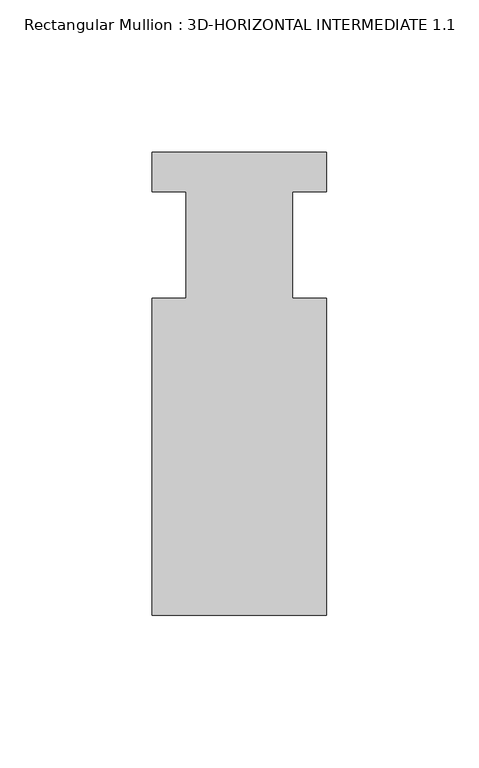
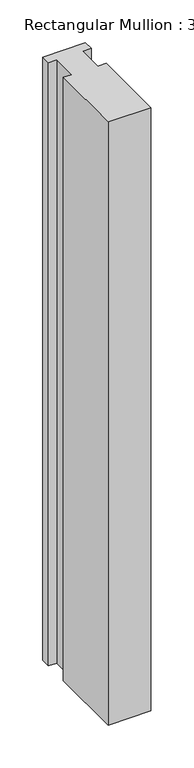
"""IFC4 building model written with IfcOpenShell, lengths in millimetres: member geometry, Rectangular Mullion : 3D-HORIZONTAL INTERMEDIATE 1.1."""

import ifcopenshell
import ifcopenshell.guid

model = None  # the IFC model being written
_history = None  # IfcOwnerHistory: only IFC2X3 demands one
_inside = {}  # id of a spatial element -> (the spatial element, [elements in it])
_under = {}  # id of a project, library or spatial element -> (it, [spatial elements below it])
_declared = {}  # id of a project -> (the project, [libraries it declares])
_typed = {}  # id of a type object -> (the type object, [elements of that type])
_made_of = {}  # id of a material, layer set ... -> (it, [elements and type objects made of it])


def new_model(schema):
    """Start an empty IFC model of exactly this schema.

    Asked for "IFC4X3", IfcOpenShell would pick the latest addendum, in which some entities
    have other attributes; the version numbers below select the first issue.
    IFC2X3 requires an IfcOwnerHistory on every rooted entity: one is made here for all.
    """
    global model, _history
    if schema == "IFC4X3":
        model = ifcopenshell.file(schema_version=(4, 3, 0, 0))
    else:
        model = ifcopenshell.file(schema=schema)
    _inside.clear()
    _under.clear()
    _declared.clear()
    _typed.clear()
    _made_of.clear()
    _history = None
    if model.schema == "IFC2X3":
        org = make("IfcOrganization", Name="unknown")
        user = make(
            "IfcPersonAndOrganization",
            ThePerson=make("IfcPerson", FamilyName="unknown"),
            TheOrganization=org,
        )
        app = make(
            "IfcApplication",
            ApplicationDeveloper=org,
            Version="unknown",
            ApplicationFullName="unknown",
            ApplicationIdentifier="unknown",
        )
        _history = make(
            "IfcOwnerHistory",
            OwningUser=user,
            OwningApplication=app,
            ChangeAction="ADDED",
            CreationDate=0,
        )
    return model


def make(cls, **values):
    """One entity of the class cls with the attributes given. An attribute that is None is left unset."""
    return model.create_entity(
        cls, **{name: value for name, value in values.items() if value is not None}
    )


def rooted(cls, **values):
    """An entity with a GlobalId (a new one), such as an element, a storey or a relation."""
    return make(cls, GlobalId=ifcopenshell.guid.new(), OwnerHistory=_history, **values)


def si_unit(unit_type, name, prefix=None):
    """IfcSIUnit, for example si_unit("LENGTHUNIT", "METRE", prefix="MILLI")."""
    return make("IfcSIUnit", UnitType=unit_type, Prefix=prefix, Name=name)


def assignment(units):
    """IfcUnitAssignment: the units of a project."""
    return None if units is None else make("IfcUnitAssignment", Units=units)


def point(xyz):
    """IfcCartesianPoint."""
    return None if xyz is None else make("IfcCartesianPoint", Coordinates=xyz)


def direction(xyz):
    """IfcDirection."""
    return None if xyz is None else make("IfcDirection", DirectionRatios=xyz)


def frame(location, z_axis=None, x_axis=None):
    """IfcAxis2Placement3D, a coordinate frame: its origin and axes. An axis left out is left unset."""
    return make(
        "IfcAxis2Placement3D",
        Location=point(location),
        Axis=direction(z_axis),
        RefDirection=direction(x_axis),
    )


def origin():
    """The frame at (0, 0, 0) with its axes left unset."""
    return frame((0.0, 0.0, 0.0))


def place(relative_to, where):
    """IfcLocalPlacement: puts the frame where relative to a parent placement (None: the world)."""
    return make(
        "IfcLocalPlacement", PlacementRelTo=relative_to, RelativePlacement=where
    )


def context(
    kind, dimensions, precision=None, world=None, true_north=None, identifier=None
):
    """IfcGeometricRepresentationContext, for example the 3D "Model" context."""
    return make(
        "IfcGeometricRepresentationContext",
        ContextIdentifier=identifier,
        ContextType=kind,
        CoordinateSpaceDimension=dimensions,
        Precision=precision,
        WorldCoordinateSystem=world,
        TrueNorth=true_north,
    )


def project(units=None, contexts=None):
    """IfcProject with its units and contexts."""
    return rooted(
        "IfcProject",
        Name="project",
        RepresentationContexts=contexts,
        UnitsInContext=assignment(units),
    )


def spatial(cls, under=None, at=None, **own):
    """A site, building, storey or space (cls), placed at a placement, below another one or the project."""
    s = rooted(cls, ObjectPlacement=at, **own)
    if under is not None:
        _under.setdefault(under.id(), (under, []))[1].append(s)
    return s


def polyline(points):
    """IfcPolyline through the points."""
    return make("IfcPolyline", Points=[point(p) for p in points])


def outline(outer, holes=None, kind="AREA"):
    """IfcArbitraryClosedProfileDef: a profile drawn as a closed curve; with holes, ...WithVoids."""
    if holes is None:
        return make("IfcArbitraryClosedProfileDef", ProfileType=kind, OuterCurve=outer)
    return make(
        "IfcArbitraryProfileDefWithVoids",
        ProfileType=kind,
        OuterCurve=outer,
        InnerCurves=holes,
    )


def extrude(swept, where, along, depth):
    """IfcExtrudedAreaSolid: the profile swept, set in the frame where, extruded along a direction by depth."""
    return make(
        "IfcExtrudedAreaSolid",
        SweptArea=swept,
        Position=where,
        ExtrudedDirection=direction(along),
        Depth=depth,
    )


def shape(context_of_items, identifier, shape_type, items):
    """IfcShapeRepresentation: the items that make up one representation, for example the "Body"."""
    return make(
        "IfcShapeRepresentation",
        ContextOfItems=context_of_items,
        RepresentationIdentifier=identifier,
        RepresentationType=shape_type,
        Items=items,
    )


def source(mapping_origin, context_of_items, identifier, shape_type, items):
    """IfcRepresentationMap: a shape defined once, which mapped items show again and again."""
    return make(
        "IfcRepresentationMap",
        MappingOrigin=mapping_origin,
        MappedRepresentation=shape(context_of_items, identifier, shape_type, items),
    )


def transform(
    local_origin,
    x_axis=None,
    y_axis=None,
    z_axis=None,
    scale=None,
    scale2=None,
    scale3=None,
    uniform=True,
):
    """IfcCartesianTransformationOperator3D, or its non-uniform kind. x_axis, y_axis, z_axis: its Axis1, 2, 3."""
    if uniform:
        return make(
            "IfcCartesianTransformationOperator3D",
            Axis1=direction(x_axis),
            Axis2=direction(y_axis),
            LocalOrigin=point(local_origin),
            Scale=scale,
            Axis3=direction(z_axis),
        )
    return make(
        "IfcCartesianTransformationOperator3DnonUniform",
        Axis1=direction(x_axis),
        Axis2=direction(y_axis),
        LocalOrigin=point(local_origin),
        Scale=scale,
        Axis3=direction(z_axis),
        Scale2=scale2,
        Scale3=scale3,
    )


def mapped(mapping_source, mapping_target):
    """IfcMappedItem: shows the shape of a source again, moved by a transform."""
    return make(
        "IfcMappedItem", MappingSource=mapping_source, MappingTarget=mapping_target
    )


def made_of(thing, what):
    """Note that an element or type object is made of a material, layer set ...; save() writes the relation."""
    if what is not None:
        _made_of.setdefault(what.id(), (what, []))[1].append(thing)
    return thing


def element(
    cls,
    number,
    at=None,
    inside=None,
    cuts=None,
    type_object=None,
    material=None,
    context=None,
    identifier="Body",
    shape_type=None,
    held_by="IfcProductDefinitionShape",
    body=None,
    shapes=None,
    **own,
):
    """One element of the class cls, such as IfcWall. Its Tag is "e" and its number.

    at: its placement. inside: the storey or other place that contains it. cuts: it is an
    opening in that element (IfcRelVoidsElement). A single representation is given by context,
    identifier, shape_type and body (its items); several are given by shapes. held_by: the class
    of the entity that holds the representations. save() writes the other relations.
    """
    e = rooted(cls, Tag="e%d" % number, ObjectPlacement=at, **own)
    if body is not None:
        shapes = [shape(context, identifier, shape_type, body)]
    if shapes is not None:
        e.Representation = make(held_by, Representations=shapes)
    if inside is not None:
        _inside.setdefault(inside.id(), (inside, []))[1].append(e)
    if cuts is not None:
        rooted(
            "IfcRelVoidsElement", RelatingBuildingElement=cuts, RelatedOpeningElement=e
        )
    if type_object is not None:
        _typed.setdefault(type_object.id(), (type_object, []))[1].append(e)
    return made_of(e, material)


def aggregate(whole, parts):
    """IfcRelAggregates: a whole, such as a stair, and the parts it consists of."""
    return rooted("IfcRelAggregates", RelatingObject=whole, RelatedObjects=parts)


def save(model, path):
    """Write the relations noted so far, then the file.

    IfcRelAggregates (storeys below a building ...), IfcRelContainedInSpatialStructure (elements
    in a storey), IfcRelDefinesByType, IfcRelAssociatesMaterial and IfcRelDeclares: one each for
    every whole, place, type object, material and project.
    """
    for whole, parts in _under.values():
        aggregate(whole, parts)
    for where, things in _inside.values():
        rooted(
            "IfcRelContainedInSpatialStructure",
            RelatedElements=things,
            RelatingStructure=where,
        )
    for kind, things in _typed.values():
        rooted("IfcRelDefinesByType", RelatedObjects=things, RelatingType=kind)
    for what, things in _made_of.values():
        rooted("IfcRelAssociatesMaterial", RelatedObjects=things, RelatingMaterial=what)
    for by, libraries in _declared.values():
        rooted("IfcRelDeclares", RelatingContext=by, RelatedDefinitions=libraries)
    model.write(path)


def rectangular_mullion_3d_horizontal_intermediate_1_1_5d9fd20f(model_context):
    return source(origin(), model_context, "Body", "SweptSolid", [
        extrude(outline(polyline([(28.575, 6.78815), (28.575, -6.0791383), (17.4625, -6.0791383), (17.4625, -41.04005), (28.575, -41.04005), (28.575, -144.90065), (-28.575, -144.90065), (-28.575, -41.04005), (-17.4625, -41.04005), (-17.4625, -6.0791383), (-28.575, -6.0791383), (-28.575, 6.78815), (28.575, 6.78815)])), frame((0.0, 0.0, -857.25), z_axis=(0.0, 0.0, 1.0), x_axis=(1.0, 0.0, 0.0)), (0.0, 0.0, 1.0), 857.25),
    ])


if __name__ == "__main__":
    model = new_model("IFC4")
    model_context = context("Model", 3, world=origin())
    ifc_project = project(units=[si_unit("LENGTHUNIT", "METRE", prefix="MILLI")], contexts=[model_context])
    site = spatial("IfcSite", under=ifc_project)
    building = spatial("IfcBuilding", under=site)
    placement = place(None, origin())
    rectangular_mullion_3d_horizontal_intermediate_1_1_shape = rectangular_mullion_3d_horizontal_intermediate_1_1_5d9fd20f(model_context)
    element("IfcMember", 1, ObjectType="Rectangular Mullion : 3D-HORIZONTAL INTERMEDIATE 1.1", at=placement, inside=building, context=model_context, shape_type="MappedRepresentation", body=[
        mapped(rectangular_mullion_3d_horizontal_intermediate_1_1_shape, transform((0.0, 0.0, 0.0), x_axis=(1.0, 0.0, 0.0), y_axis=(0.0, 1.0, 0.0), z_axis=(0.0, 0.0, 1.0))),
    ])
    save(model, "model.ifc")
